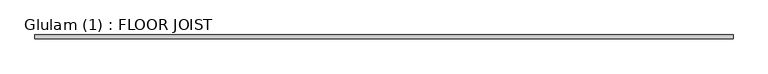
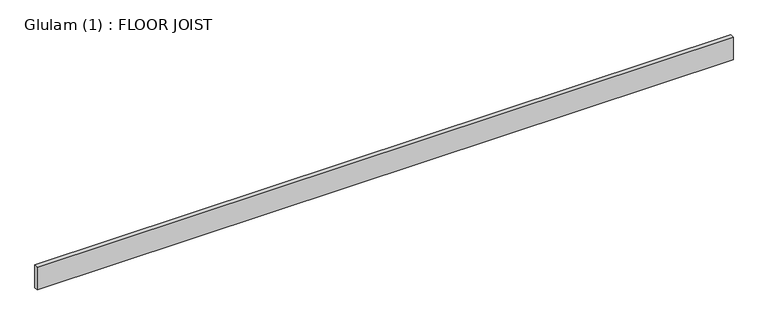
"""IFC4 building model written with IfcOpenShell, lengths in millimetres: beam geometry, Glulam (1) : FLOOR JOIST."""

from ifc_helpers import new_model, si_unit, frame, origin, place, context, project, spatial, polyline, outline, extrude, source, transform, mapped, element, save


def glulam_1_floor_joist_4fe450a6(model_context):
    return source(origin(), model_context, "Body", "SweptSolid", [
        extrude(outline(polyline([(4191.0, 22.5), (4191.0, -22.5), (-4191.0001814, -22.5), (-4191.0001814, 22.5), (4191.0, 22.5)])), frame((0.0, 0.0, -145.0), z_axis=(0.0, 0.0, 1.0), x_axis=(1.0, 0.0, 0.0)), (0.0, 0.0, 1.0), 290.0),
    ])


if __name__ == "__main__":
    model = new_model("IFC4")
    model_context = context("Model", 3, world=origin())
    ifc_project = project(units=[si_unit("LENGTHUNIT", "METRE", prefix="MILLI")], contexts=[model_context])
    site = spatial("IfcSite", under=ifc_project)
    building = spatial("IfcBuilding", under=site)
    placement = place(None, origin())
    glulam_1_floor_joist_shape = glulam_1_floor_joist_4fe450a6(model_context)
    element("IfcBeam", 1, ObjectType="Glulam (1) : FLOOR JOIST", at=placement, inside=building, context=model_context, shape_type="MappedRepresentation", body=[
        mapped(glulam_1_floor_joist_shape, transform((0.0, 0.0, 0.0), x_axis=(1.0, 0.0, 0.0), y_axis=(0.0, 1.0, 0.0), z_axis=(0.0, 0.0, 1.0))),
    ])
    save(model, "model.ifc")
